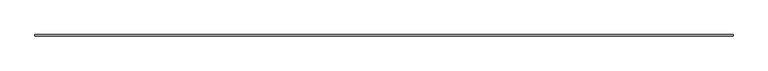
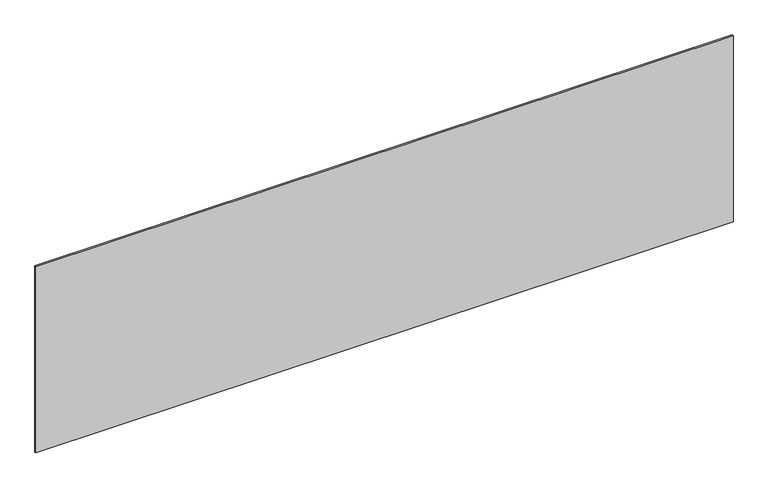
"""IFC4 building model written with IfcOpenShell, lengths in millimetres: plate geometry."""

import ifcopenshell
import ifcopenshell.guid

model = None  # the IFC model being written
_history = None  # IfcOwnerHistory: only IFC2X3 demands one
_inside = {}  # id of a spatial element -> (the spatial element, [elements in it])
_under = {}  # id of a project, library or spatial element -> (it, [spatial elements below it])
_declared = {}  # id of a project -> (the project, [libraries it declares])
_typed = {}  # id of a type object -> (the type object, [elements of that type])
_made_of = {}  # id of a material, layer set ... -> (it, [elements and type objects made of it])


def new_model(schema):
    """Start an empty IFC model of exactly this schema.

    Asked for "IFC4X3", IfcOpenShell would pick the latest addendum, in which some entities
    have other attributes; the version numbers below select the first issue.
    IFC2X3 requires an IfcOwnerHistory on every rooted entity: one is made here for all.
    """
    global model, _history
    if schema == "IFC4X3":
        model = ifcopenshell.file(schema_version=(4, 3, 0, 0))
    else:
        model = ifcopenshell.file(schema=schema)
    _inside.clear()
    _under.clear()
    _declared.clear()
    _typed.clear()
    _made_of.clear()
    _history = None
    if model.schema == "IFC2X3":
        org = make("IfcOrganization", Name="unknown")
        user = make(
            "IfcPersonAndOrganization",
            ThePerson=make("IfcPerson", FamilyName="unknown"),
            TheOrganization=org,
        )
        app = make(
            "IfcApplication",
            ApplicationDeveloper=org,
            Version="unknown",
            ApplicationFullName="unknown",
            ApplicationIdentifier="unknown",
        )
        _history = make(
            "IfcOwnerHistory",
            OwningUser=user,
            OwningApplication=app,
            ChangeAction="ADDED",
            CreationDate=0,
        )
    return model


def make(cls, **values):
    """One entity of the class cls with the attributes given. An attribute that is None is left unset."""
    return model.create_entity(
        cls, **{name: value for name, value in values.items() if value is not None}
    )


def rooted(cls, **values):
    """An entity with a GlobalId (a new one), such as an element, a storey or a relation."""
    return make(cls, GlobalId=ifcopenshell.guid.new(), OwnerHistory=_history, **values)


def si_unit(unit_type, name, prefix=None):
    """IfcSIUnit, for example si_unit("LENGTHUNIT", "METRE", prefix="MILLI")."""
    return make("IfcSIUnit", UnitType=unit_type, Prefix=prefix, Name=name)


def assignment(units):
    """IfcUnitAssignment: the units of a project."""
    return None if units is None else make("IfcUnitAssignment", Units=units)


def point(xyz):
    """IfcCartesianPoint."""
    return None if xyz is None else make("IfcCartesianPoint", Coordinates=xyz)


def direction(xyz):
    """IfcDirection."""
    return None if xyz is None else make("IfcDirection", DirectionRatios=xyz)


def frame(location, z_axis=None, x_axis=None):
    """IfcAxis2Placement3D, a coordinate frame: its origin and axes. An axis left out is left unset."""
    return make(
        "IfcAxis2Placement3D",
        Location=point(location),
        Axis=direction(z_axis),
        RefDirection=direction(x_axis),
    )


def origin():
    """The frame at (0, 0, 0) with its axes left unset."""
    return frame((0.0, 0.0, 0.0))


def origin_with_axes():
    """The frame at (0, 0, 0) with the z axis (0, 0, 1) and the x axis (1, 0, 0) written out."""
    return frame((0.0, 0.0, 0.0), z_axis=(0.0, 0.0, 1.0), x_axis=(1.0, 0.0, 0.0))


def place(relative_to, where):
    """IfcLocalPlacement: puts the frame where relative to a parent placement (None: the world)."""
    return make(
        "IfcLocalPlacement", PlacementRelTo=relative_to, RelativePlacement=where
    )


def context(
    kind, dimensions, precision=None, world=None, true_north=None, identifier=None
):
    """IfcGeometricRepresentationContext, for example the 3D "Model" context."""
    return make(
        "IfcGeometricRepresentationContext",
        ContextIdentifier=identifier,
        ContextType=kind,
        CoordinateSpaceDimension=dimensions,
        Precision=precision,
        WorldCoordinateSystem=world,
        TrueNorth=true_north,
    )


def project(units=None, contexts=None):
    """IfcProject with its units and contexts."""
    return rooted(
        "IfcProject",
        Name="project",
        RepresentationContexts=contexts,
        UnitsInContext=assignment(units),
    )


def spatial(cls, under=None, at=None, **own):
    """A site, building, storey or space (cls), placed at a placement, below another one or the project."""
    s = rooted(cls, ObjectPlacement=at, **own)
    if under is not None:
        _under.setdefault(under.id(), (under, []))[1].append(s)
    return s


def polyline(points):
    """IfcPolyline through the points."""
    return make("IfcPolyline", Points=[point(p) for p in points])


def outline(outer, holes=None, kind="AREA"):
    """IfcArbitraryClosedProfileDef: a profile drawn as a closed curve; with holes, ...WithVoids."""
    if holes is None:
        return make("IfcArbitraryClosedProfileDef", ProfileType=kind, OuterCurve=outer)
    return make(
        "IfcArbitraryProfileDefWithVoids",
        ProfileType=kind,
        OuterCurve=outer,
        InnerCurves=holes,
    )


def extrude(swept, where, along, depth):
    """IfcExtrudedAreaSolid: the profile swept, set in the frame where, extruded along a direction by depth."""
    return make(
        "IfcExtrudedAreaSolid",
        SweptArea=swept,
        Position=where,
        ExtrudedDirection=direction(along),
        Depth=depth,
    )


def shape(context_of_items, identifier, shape_type, items):
    """IfcShapeRepresentation: the items that make up one representation, for example the "Body"."""
    return make(
        "IfcShapeRepresentation",
        ContextOfItems=context_of_items,
        RepresentationIdentifier=identifier,
        RepresentationType=shape_type,
        Items=items,
    )


def source(mapping_origin, context_of_items, identifier, shape_type, items):
    """IfcRepresentationMap: a shape defined once, which mapped items show again and again."""
    return make(
        "IfcRepresentationMap",
        MappingOrigin=mapping_origin,
        MappedRepresentation=shape(context_of_items, identifier, shape_type, items),
    )


def transform(
    local_origin,
    x_axis=None,
    y_axis=None,
    z_axis=None,
    scale=None,
    scale2=None,
    scale3=None,
    uniform=True,
):
    """IfcCartesianTransformationOperator3D, or its non-uniform kind. x_axis, y_axis, z_axis: its Axis1, 2, 3."""
    if uniform:
        return make(
            "IfcCartesianTransformationOperator3D",
            Axis1=direction(x_axis),
            Axis2=direction(y_axis),
            LocalOrigin=point(local_origin),
            Scale=scale,
            Axis3=direction(z_axis),
        )
    return make(
        "IfcCartesianTransformationOperator3DnonUniform",
        Axis1=direction(x_axis),
        Axis2=direction(y_axis),
        LocalOrigin=point(local_origin),
        Scale=scale,
        Axis3=direction(z_axis),
        Scale2=scale2,
        Scale3=scale3,
    )


def mapped(mapping_source, mapping_target):
    """IfcMappedItem: shows the shape of a source again, moved by a transform."""
    return make(
        "IfcMappedItem", MappingSource=mapping_source, MappingTarget=mapping_target
    )


def made_of(thing, what):
    """Note that an element or type object is made of a material, layer set ...; save() writes the relation."""
    if what is not None:
        _made_of.setdefault(what.id(), (what, []))[1].append(thing)
    return thing


def element(
    cls,
    number,
    at=None,
    inside=None,
    cuts=None,
    type_object=None,
    material=None,
    context=None,
    identifier="Body",
    shape_type=None,
    held_by="IfcProductDefinitionShape",
    body=None,
    shapes=None,
    **own,
):
    """One element of the class cls, such as IfcWall. Its Tag is "e" and its number.

    at: its placement. inside: the storey or other place that contains it. cuts: it is an
    opening in that element (IfcRelVoidsElement). A single representation is given by context,
    identifier, shape_type and body (its items); several are given by shapes. held_by: the class
    of the entity that holds the representations. save() writes the other relations.
    """
    e = rooted(cls, Tag="e%d" % number, ObjectPlacement=at, **own)
    if body is not None:
        shapes = [shape(context, identifier, shape_type, body)]
    if shapes is not None:
        e.Representation = make(held_by, Representations=shapes)
    if inside is not None:
        _inside.setdefault(inside.id(), (inside, []))[1].append(e)
    if cuts is not None:
        rooted(
            "IfcRelVoidsElement", RelatingBuildingElement=cuts, RelatedOpeningElement=e
        )
    if type_object is not None:
        _typed.setdefault(type_object.id(), (type_object, []))[1].append(e)
    return made_of(e, material)


def aggregate(whole, parts):
    """IfcRelAggregates: a whole, such as a stair, and the parts it consists of."""
    return rooted("IfcRelAggregates", RelatingObject=whole, RelatedObjects=parts)


def save(model, path):
    """Write the relations noted so far, then the file.

    IfcRelAggregates (storeys below a building ...), IfcRelContainedInSpatialStructure (elements
    in a storey), IfcRelDefinesByType, IfcRelAssociatesMaterial and IfcRelDeclares: one each for
    every whole, place, type object, material and project.
    """
    for whole, parts in _under.values():
        aggregate(whole, parts)
    for where, things in _inside.values():
        rooted(
            "IfcRelContainedInSpatialStructure",
            RelatedElements=things,
            RelatingStructure=where,
        )
    for kind, things in _typed.values():
        rooted("IfcRelDefinesByType", RelatedObjects=things, RelatingType=kind)
    for what, things in _made_of.values():
        rooted("IfcRelAssociatesMaterial", RelatedObjects=things, RelatingMaterial=what)
    for by, libraries in _declared.values():
        rooted("IfcRelDeclares", RelatingContext=by, RelatedDefinitions=libraries)
    model.write(path)


def plate_8de86a88(model_context):
    return source(origin(), model_context, "Body", "SweptSolid", [
        extrude(outline(polyline([(2281.6666667, -5.0), (-2281.6666667, -5.0), (-2281.6666667, 5.0), (2281.6666667, 5.0), (2281.6666667, -5.0)])), origin_with_axes(), (0.0, 0.0, 1.0), 1288.1660768),
    ])


if __name__ == "__main__":
    model = new_model("IFC4")
    model_context = context("Model", 3, world=origin())
    ifc_project = project(units=[si_unit("LENGTHUNIT", "METRE", prefix="MILLI")], contexts=[model_context])
    site = spatial("IfcSite", under=ifc_project)
    building = spatial("IfcBuilding", under=site)
    placement = place(None, origin())
    plate_shape = plate_8de86a88(model_context)
    element("IfcPlate", 1, at=placement, inside=building, context=model_context, shape_type="MappedRepresentation", body=[
        mapped(plate_shape, transform((0.0, 0.0, 0.0), x_axis=(1.0, 0.0, 0.0), y_axis=(0.0, 1.0, 0.0), z_axis=(0.0, 0.0, 1.0))),
    ])
    save(model, "model.ifc")
